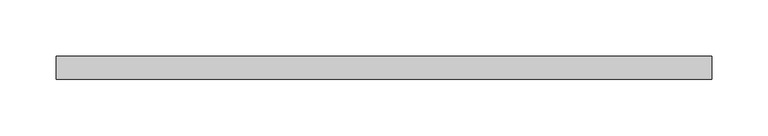
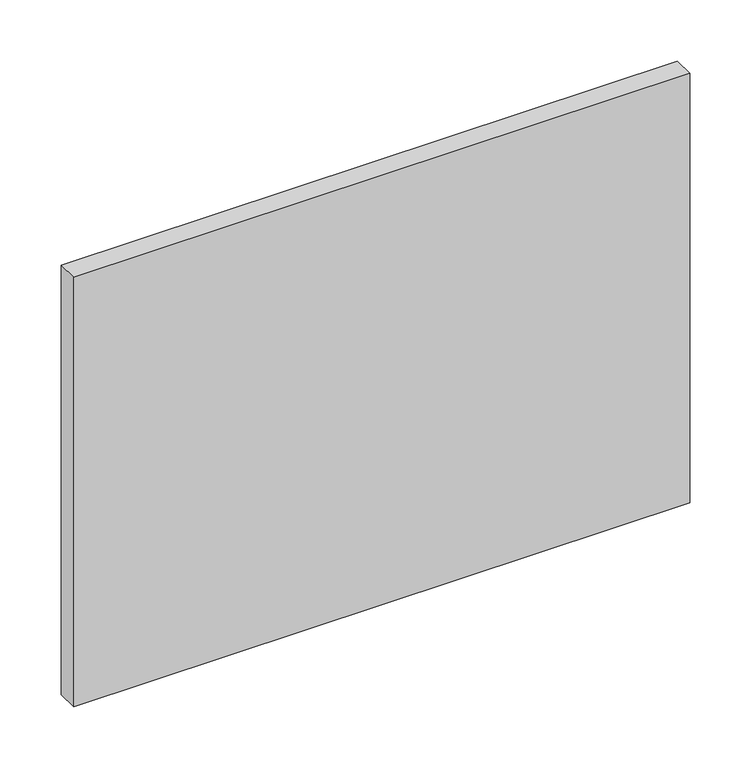
"""IFC4 building model written with IfcOpenShell, lengths in millimetres: plate geometry."""

from ifc_helpers import new_model, si_unit, origin, origin_with_axes, place, context, project, spatial, polyline, outline, extrude, source, transform, mapped, element, save


def plate_fceea160(model_context):
    return source(origin(), model_context, "Body", "SweptSolid", [
        extrude(outline(polyline([(290.0, 70.0), (-290.0, 70.0), (-290.0, 90.0), (290.0, 90.0), (290.0, 70.0)])), origin_with_axes(), (0.0, 0.0, 1.0), 427.3076923),
    ])


if __name__ == "__main__":
    model = new_model("IFC4")
    model_context = context("Model", 3, world=origin())
    ifc_project = project(units=[si_unit("LENGTHUNIT", "METRE", prefix="MILLI")], contexts=[model_context])
    site = spatial("IfcSite", under=ifc_project)
    building = spatial("IfcBuilding", under=site)
    placement = place(None, origin())
    plate_shape = plate_fceea160(model_context)
    element("IfcPlate", 1, at=placement, inside=building, context=model_context, shape_type="MappedRepresentation", body=[
        mapped(plate_shape, transform((0.0, 0.0, 0.0), x_axis=(1.0, 0.0, 0.0), y_axis=(0.0, 1.0, 0.0), z_axis=(0.0, 0.0, 1.0))),
    ])
    save(model, "model.ifc")
